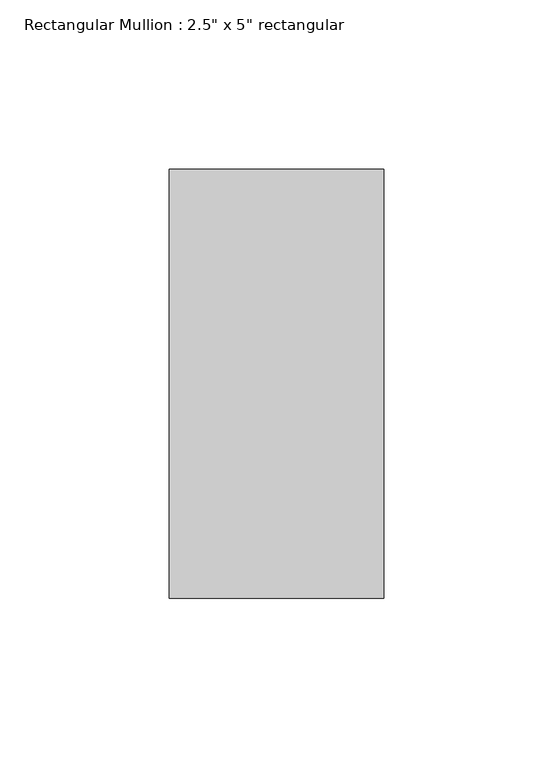
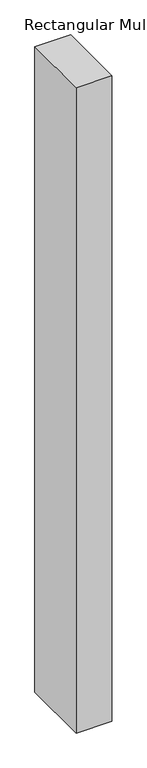
"""IFC4 building model written with IfcOpenShell, lengths in millimetres: member geometry."""

from ifc_helpers import new_model, si_unit, frame, origin, place, context, project, spatial, polyline, outline, extrude, source, transform, mapped, element, save


def member_2a40f5ba(model_context):
    return source(origin(), model_context, "Body", "SweptSolid", [
        extrude(outline(polyline([(0.0, 63.5), (0.0, -63.5), (-63.5, -63.5), (-63.5, 63.5), (0.0, 63.5)])), frame((0.0, 0.0, -1212.4650757), z_axis=(0.0, 0.0, 1.0), x_axis=(1.0, 0.0, 0.0)), (0.0, 0.0, 1.0), 1212.4650757),
    ])


if __name__ == "__main__":
    model = new_model("IFC4")
    model_context = context("Model", 3, world=origin())
    ifc_project = project(units=[si_unit("LENGTHUNIT", "METRE", prefix="MILLI")], contexts=[model_context])
    site = spatial("IfcSite", under=ifc_project)
    building = spatial("IfcBuilding", under=site)
    placement = place(None, origin())
    member_shape = member_2a40f5ba(model_context)
    element("IfcMember", 1, ObjectType="Rectangular Mullion : 2.5\" x 5\" rectangular", at=placement, inside=building, context=model_context, shape_type="MappedRepresentation", body=[
        mapped(member_shape, transform((0.0, 0.0, 0.0), x_axis=(1.0, 0.0, 0.0), y_axis=(0.0, 1.0, 0.0), z_axis=(0.0, 0.0, 1.0))),
    ])
    save(model, "model.ifc")
